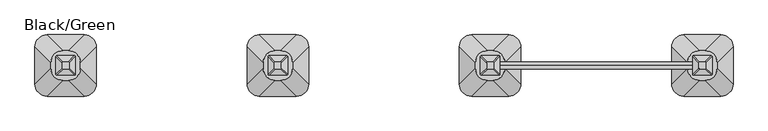
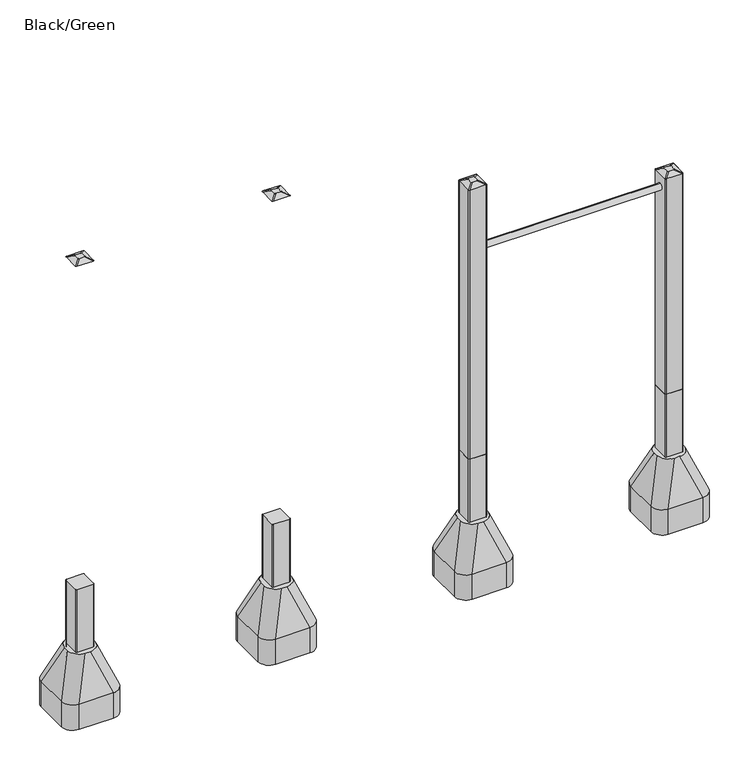
"""IFC4 building model written with IfcOpenShell, lengths in millimetres: furniture geometry, Black/Green."""

from ifc_helpers import new_model, si_unit, point, frame, frame_2d, origin, place, context, project, spatial, polyline, circle_curve, trimmed, segment, composite_curve, outline, extrude, source, transform, mapped, element, save
from ifc_brep_helpers import plane_surface, cylinder_surface, extruded_surface, advanced_brep


def black_green_f1806de6(model_context):
    return source(origin(), model_context, "Body", "SolidModel", [
        advanced_brep(
        [(-529.5, 192.5, 1715.0), (-529.5, 217.5, 1715.0), (-534.5, 222.5, 1715.0), (-559.5, 222.5, 1715.0), (-564.5, 217.5, 1715.0), (-564.5, 192.5, 1715.0), (-559.5, 187.5, 1715.0), (-534.5, 187.5, 1715.0), (-499.5, 162.5, 1700.0), (-504.5, 157.5, 1700.0), (-589.5, 157.5, 1700.0), (-594.5, 162.5, 1700.0), (-594.5, 247.5, 1700.0), (-589.5, 252.5, 1700.0), (-504.5, 252.5, 1700.0), (-499.5, 247.5, 1700.0)],
        [
            (0, 1),
            (1, 2, circle_curve(frame((-534.5, 217.5, 1715.0), z_axis=(0.0, 0.0, 1.0), x_axis=(1.0, 0.0, 0.0)), 5.0)),
            (2, 3),
            (3, 4, circle_curve(frame((-559.5, 217.5, 1715.0), z_axis=(0.0, 0.0, 1.0), x_axis=(1.0, 0.0, 0.0)), 5.0)),
            (4, 5),
            (5, 6, circle_curve(frame((-559.5, 192.5, 1715.0), z_axis=(0.0, 0.0, 1.0), x_axis=(1.0, 0.0, 0.0)), 5.0)),
            (6, 7),
            (7, 0, circle_curve(frame((-534.5, 192.5, 1715.0), z_axis=(0.0, 0.0, 1.0), x_axis=(1.0, 0.0, 0.0)), 5.0)),
            (8, 9, circle_curve(frame((-504.5, 162.5, 1700.0), z_axis=(0.0, 0.0, -1.0), x_axis=(1.0, 0.0, 0.0)), 5.0)),
            (9, 10),
            (10, 11, circle_curve(frame((-589.5, 162.5, 1700.0), z_axis=(0.0, 0.0, -1.0), x_axis=(1.0, 0.0, 0.0)), 5.0)),
            (11, 12),
            (12, 13, circle_curve(frame((-589.5, 247.5, 1700.0), z_axis=(0.0, 0.0, -1.0), x_axis=(1.0, 0.0, 0.0)), 5.0)),
            (13, 14),
            (14, 15, circle_curve(frame((-504.5, 247.5, 1700.0), z_axis=(0.0, 0.0, -1.0), x_axis=(1.0, 0.0, 0.0)), 5.0)),
            (15, 8),
            (15, 1),
            (0, 8),
            (14, 2),
            (13, 3),
            (12, 4),
            (11, 5),
            (10, 6),
            (9, 7),
        ],
        [
            plane_surface(frame((-547.0, 205.0, 1715.0), z_axis=(0.0, 0.0, 1.0), x_axis=(-1.0, 0.0, 0.0))),
            plane_surface(frame((-547.0, 205.0, 1700.0), z_axis=(0.0, 0.0, -1.0), x_axis=(-1.0, 0.0, 0.0))),
            plane_surface(frame((-499.5, 205.0, 1700.0), z_axis=(0.447213595499958, 0.0, 0.894427190999916), x_axis=(0.0, 1.0, 0.0))),
            extruded_surface(trimmed(circle_curve(frame((-504.5, 247.5, 1700.0), z_axis=(0.0, 0.0, 1.0), x_axis=(1.0, 0.0, 0.0)), 5.0), [point((-499.5, 247.5, 1700.0))], [point((-504.5, 252.5, 1700.0))], True, "CARTESIAN"), (-30.0, -30.0, 15.0), 45.0),
            plane_surface(frame((-547.0, 252.5, 1700.0), z_axis=(0.0, 0.447213595499958, 0.894427190999916), x_axis=(-1.0, 0.0, 0.0))),
            extruded_surface(trimmed(circle_curve(frame((-589.5, 247.5, 1700.0), z_axis=(0.0, 0.0, 1.0), x_axis=(1.0, 0.0, 0.0)), 5.0), [point((-589.5, 252.5, 1700.0))], [point((-594.5, 247.5, 1700.0))], True, "CARTESIAN"), (30.0, -30.0, 15.0), 45.0),
            plane_surface(frame((-594.5, 205.0, 1700.0), z_axis=(-0.447213595499958, 0.0, 0.894427190999916), x_axis=(0.0, -1.0, 0.0))),
            extruded_surface(trimmed(circle_curve(frame((-589.5, 162.5, 1700.0), z_axis=(0.0, 0.0, 1.0), x_axis=(1.0, 0.0, 0.0)), 5.0), [point((-594.5, 162.5, 1700.0))], [point((-589.5, 157.5, 1700.0))], True, "CARTESIAN"), (30.0, 30.0, 15.0), 45.0),
            plane_surface(frame((-547.0, 157.5, 1700.0), z_axis=(0.0, -0.447213595499958, 0.894427190999916), x_axis=(1.0, 0.0, 0.0))),
            extruded_surface(trimmed(circle_curve(frame((-504.5, 162.5, 1700.0), z_axis=(0.0, 0.0, 1.0), x_axis=(1.0, 0.0, 0.0)), 5.0), [point((-504.5, 157.5, 1700.0))], [point((-499.5, 162.5, 1700.0))], True, "CARTESIAN"), (-30.0, 30.0, 15.0), 45.0),
        ],
        [
            (0, [[1, 2, 3, 4, 5, 6, 7, 8]]),
            (1, [[9, 10, 11, 12, 13, 14, 15, 16]]),
            (2, [[-16, 17, -1, 18]]),
            (3, [[-15, 19, -2, -17]]),
            (4, [[-14, 20, -3, -19]]),
            (5, [[-13, 21, -4, -20]]),
            (6, [[-12, 22, -5, -21]]),
            (7, [[-11, 23, -6, -22]]),
            (8, [[-10, 24, -7, -23]]),
            (9, [[-9, -18, -8, -24]]),
        ],
    ),
        advanced_brep(
        [(505.5, 192.5, 1715.0), (505.5, 217.5, 1715.0), (500.5, 222.5, 1715.0), (475.5, 222.5, 1715.0), (470.5, 217.5, 1715.0), (470.5, 192.5, 1715.0), (475.5, 187.5, 1715.0), (500.5, 187.5, 1715.0), (535.5, 162.5, 1700.0), (530.5, 157.5, 1700.0), (445.5, 157.5, 1700.0), (440.5, 162.5, 1700.0), (440.5, 247.5, 1700.0), (445.5, 252.5, 1700.0), (530.5, 252.5, 1700.0), (535.5, 247.5, 1700.0)],
        [
            (0, 1),
            (1, 2, circle_curve(frame((500.5, 217.5, 1715.0), z_axis=(0.0, 0.0, 1.0), x_axis=(1.0, 0.0, 0.0)), 5.0)),
            (2, 3),
            (3, 4, circle_curve(frame((475.5, 217.5, 1715.0), z_axis=(0.0, 0.0, 1.0), x_axis=(1.0, 0.0, 0.0)), 5.0)),
            (4, 5),
            (5, 6, circle_curve(frame((475.5, 192.5, 1715.0), z_axis=(0.0, 0.0, 1.0), x_axis=(1.0, 0.0, 0.0)), 5.0)),
            (6, 7),
            (7, 0, circle_curve(frame((500.5, 192.5, 1715.0), z_axis=(0.0, 0.0, 1.0), x_axis=(1.0, 0.0, 0.0)), 5.0)),
            (8, 9, circle_curve(frame((530.5, 162.5, 1700.0), z_axis=(0.0, 0.0, -1.0), x_axis=(1.0, 0.0, 0.0)), 5.0)),
            (9, 10),
            (10, 11, circle_curve(frame((445.5, 162.5, 1700.0), z_axis=(0.0, 0.0, -1.0), x_axis=(1.0, 0.0, 0.0)), 5.0)),
            (11, 12),
            (12, 13, circle_curve(frame((445.5, 247.5, 1700.0), z_axis=(0.0, 0.0, -1.0), x_axis=(1.0, 0.0, 0.0)), 5.0)),
            (13, 14),
            (14, 15, circle_curve(frame((530.5, 247.5, 1700.0), z_axis=(0.0, 0.0, -1.0), x_axis=(1.0, 0.0, 0.0)), 5.0)),
            (15, 8),
            (15, 1),
            (0, 8),
            (14, 2),
            (13, 3),
            (12, 4),
            (11, 5),
            (10, 6),
            (9, 7),
        ],
        [
            plane_surface(frame((488.0, 205.0, 1715.0), z_axis=(0.0, 0.0, 1.0), x_axis=(-1.0, 0.0, 0.0))),
            plane_surface(frame((488.0, 205.0, 1700.0), z_axis=(0.0, 0.0, -1.0), x_axis=(-1.0, 0.0, 0.0))),
            plane_surface(frame((535.5, 205.0, 1700.0), z_axis=(0.447213595499958, 0.0, 0.894427190999916), x_axis=(0.0, 1.0, 0.0))),
            extruded_surface(trimmed(circle_curve(frame((530.5, 247.5, 1700.0), z_axis=(0.0, 0.0, 1.0), x_axis=(1.0, 0.0, 0.0)), 5.0), [point((535.5, 247.5, 1700.0))], [point((530.5, 252.5, 1700.0))], True, "CARTESIAN"), (-30.0, -30.0, 15.0), 45.0),
            plane_surface(frame((488.0, 252.5, 1700.0), z_axis=(0.0, 0.447213595499958, 0.894427190999916), x_axis=(-1.0, 0.0, 0.0))),
            extruded_surface(trimmed(circle_curve(frame((445.5, 247.5, 1700.0), z_axis=(0.0, 0.0, 1.0), x_axis=(1.0, 0.0, 0.0)), 5.0), [point((445.5, 252.5, 1700.0))], [point((440.5, 247.5, 1700.0))], True, "CARTESIAN"), (30.0, -30.0, 15.0), 45.0),
            plane_surface(frame((440.5, 205.0, 1700.0), z_axis=(-0.447213595499958, 0.0, 0.894427190999916), x_axis=(0.0, -1.0, 0.0))),
            extruded_surface(trimmed(circle_curve(frame((445.5, 162.5, 1700.0), z_axis=(0.0, 0.0, 1.0), x_axis=(1.0, 0.0, 0.0)), 5.0), [point((440.5, 162.5, 1700.0))], [point((445.5, 157.5, 1700.0))], True, "CARTESIAN"), (30.0, 30.0, 15.0), 45.0),
            plane_surface(frame((488.0, 157.5, 1700.0), z_axis=(0.0, -0.447213595499958, 0.894427190999916), x_axis=(1.0, 0.0, 0.0))),
            extruded_surface(trimmed(circle_curve(frame((530.5, 162.5, 1700.0), z_axis=(0.0, 0.0, 1.0), x_axis=(1.0, 0.0, 0.0)), 5.0), [point((530.5, 157.5, 1700.0))], [point((535.5, 162.5, 1700.0))], True, "CARTESIAN"), (-30.0, 30.0, 15.0), 45.0),
        ],
        [
            (0, [[1, 2, 3, 4, 5, 6, 7, 8]]),
            (1, [[9, 10, 11, 12, 13, 14, 15, 16]]),
            (2, [[-16, 17, -1, 18]]),
            (3, [[-15, 19, -2, -17]]),
            (4, [[-14, 20, -3, -19]]),
            (5, [[-13, 21, -4, -20]]),
            (6, [[-12, 22, -5, -21]]),
            (7, [[-11, 23, -6, -22]]),
            (8, [[-10, 24, -7, -23]]),
            (9, [[-9, -18, -8, -24]]),
        ],
    ),
        advanced_brep(
        [(1540.5, 192.5, 1415.0), (1540.5, 217.5, 1415.0), (1535.5, 222.5, 1415.0), (1510.5, 222.5, 1415.0), (1505.5, 217.5, 1415.0), (1505.5, 192.5, 1415.0), (1510.5, 187.5, 1415.0), (1535.5, 187.5, 1415.0), (1570.5, 162.5, 1400.0), (1565.5, 157.5, 1400.0), (1480.5, 157.5, 1400.0), (1475.5, 162.5, 1400.0), (1475.5, 247.5, 1400.0), (1480.5, 252.5, 1400.0), (1565.5, 252.5, 1400.0), (1570.5, 247.5, 1400.0)],
        [
            (0, 1),
            (1, 2, circle_curve(frame((1535.5, 217.5, 1415.0), z_axis=(0.0, 0.0, 1.0), x_axis=(1.0, 0.0, 0.0)), 5.0)),
            (2, 3),
            (3, 4, circle_curve(frame((1510.5, 217.5, 1415.0), z_axis=(0.0, 0.0, 1.0), x_axis=(1.0, 0.0, 0.0)), 5.0)),
            (4, 5),
            (5, 6, circle_curve(frame((1510.5, 192.5, 1415.0), z_axis=(0.0, 0.0, 1.0), x_axis=(1.0, 0.0, 0.0)), 5.0)),
            (6, 7),
            (7, 0, circle_curve(frame((1535.5, 192.5, 1415.0), z_axis=(0.0, 0.0, 1.0), x_axis=(1.0, 0.0, 0.0)), 5.0)),
            (8, 9, circle_curve(frame((1565.5, 162.5, 1400.0), z_axis=(0.0, 0.0, -1.0), x_axis=(1.0, 0.0, 0.0)), 5.0)),
            (9, 10),
            (10, 11, circle_curve(frame((1480.5, 162.5, 1400.0), z_axis=(0.0, 0.0, -1.0), x_axis=(1.0, 0.0, 0.0)), 5.0)),
            (11, 12),
            (12, 13, circle_curve(frame((1480.5, 247.5, 1400.0), z_axis=(0.0, 0.0, -1.0), x_axis=(1.0, 0.0, 0.0)), 5.0)),
            (13, 14),
            (14, 15, circle_curve(frame((1565.5, 247.5, 1400.0), z_axis=(0.0, 0.0, -1.0), x_axis=(1.0, 0.0, 0.0)), 5.0)),
            (15, 8),
            (15, 1),
            (0, 8),
            (14, 2),
            (13, 3),
            (12, 4),
            (11, 5),
            (10, 6),
            (9, 7),
        ],
        [
            plane_surface(frame((1523.0, 205.0, 1415.0), z_axis=(0.0, 0.0, 1.0), x_axis=(-1.0, 0.0, 0.0))),
            plane_surface(frame((1523.0, 205.0, 1400.0), z_axis=(0.0, 0.0, -1.0), x_axis=(-1.0, 0.0, 0.0))),
            plane_surface(frame((1570.5, 205.0, 1400.0), z_axis=(0.447213595499958, 0.0, 0.894427190999916), x_axis=(0.0, 1.0, 0.0))),
            extruded_surface(trimmed(circle_curve(frame((1565.5, 247.5, 1400.0), z_axis=(0.0, 0.0, 1.0), x_axis=(1.0, 0.0, 0.0)), 5.0), [point((1570.5, 247.5, 1400.0))], [point((1565.5, 252.5, 1400.0))], True, "CARTESIAN"), (-30.0, -30.0, 15.0), 45.0),
            plane_surface(frame((1523.0, 252.5, 1400.0), z_axis=(0.0, 0.447213595499958, 0.894427190999916), x_axis=(-1.0, 0.0, 0.0))),
            extruded_surface(trimmed(circle_curve(frame((1480.5, 247.5, 1400.0), z_axis=(0.0, 0.0, 1.0), x_axis=(1.0, 0.0, 0.0)), 5.0), [point((1480.5, 252.5, 1400.0))], [point((1475.5, 247.5, 1400.0))], True, "CARTESIAN"), (30.0, -30.0, 15.0), 45.0),
            plane_surface(frame((1475.5, 205.0, 1400.0), z_axis=(-0.447213595499958, 0.0, 0.894427190999916), x_axis=(0.0, -1.0, 0.0))),
            extruded_surface(trimmed(circle_curve(frame((1480.5, 162.5, 1400.0), z_axis=(0.0, 0.0, 1.0), x_axis=(1.0, 0.0, 0.0)), 5.0), [point((1475.5, 162.5, 1400.0))], [point((1480.5, 157.5, 1400.0))], True, "CARTESIAN"), (30.0, 30.0, 15.0), 45.0),
            plane_surface(frame((1523.0, 157.5, 1400.0), z_axis=(0.0, -0.447213595499958, 0.894427190999916), x_axis=(1.0, 0.0, 0.0))),
            extruded_surface(trimmed(circle_curve(frame((1565.5, 162.5, 1400.0), z_axis=(0.0, 0.0, 1.0), x_axis=(1.0, 0.0, 0.0)), 5.0), [point((1565.5, 157.5, 1400.0))], [point((1570.5, 162.5, 1400.0))], True, "CARTESIAN"), (-30.0, 30.0, 15.0), 45.0),
        ],
        [
            (0, [[1, 2, 3, 4, 5, 6, 7, 8]]),
            (1, [[9, 10, 11, 12, 13, 14, 15, 16]]),
            (2, [[-16, 17, -1, 18]]),
            (3, [[-15, 19, -2, -17]]),
            (4, [[-14, 20, -3, -19]]),
            (5, [[-13, 21, -4, -20]]),
            (6, [[-12, 22, -5, -21]]),
            (7, [[-11, 23, -6, -22]]),
            (8, [[-10, 24, -7, -23]]),
            (9, [[-9, -18, -8, -24]]),
        ],
    ),
        advanced_brep(
        [(2575.5, 192.5, 1115.0), (2575.5, 217.5, 1115.0), (2570.5, 222.5, 1115.0), (2545.5, 222.5, 1115.0), (2540.5, 217.5, 1115.0), (2540.5, 192.5, 1115.0), (2545.5, 187.5, 1115.0), (2570.5, 187.5, 1115.0), (2605.5, 162.5, 1100.0), (2600.5, 157.5, 1100.0), (2515.5, 157.5, 1100.0), (2510.5, 162.5, 1100.0), (2510.5, 247.5, 1100.0), (2515.5, 252.5, 1100.0), (2600.5, 252.5, 1100.0), (2605.5, 247.5, 1100.0)],
        [
            (0, 1),
            (1, 2, circle_curve(frame((2570.5, 217.5, 1115.0), z_axis=(0.0, 0.0, 1.0), x_axis=(1.0, 0.0, 0.0)), 5.0)),
            (2, 3),
            (3, 4, circle_curve(frame((2545.5, 217.5, 1115.0), z_axis=(0.0, 0.0, 1.0), x_axis=(1.0, 0.0, 0.0)), 5.0)),
            (4, 5),
            (5, 6, circle_curve(frame((2545.5, 192.5, 1115.0), z_axis=(0.0, 0.0, 1.0), x_axis=(1.0, 0.0, 0.0)), 5.0)),
            (6, 7),
            (7, 0, circle_curve(frame((2570.5, 192.5, 1115.0), z_axis=(0.0, 0.0, 1.0), x_axis=(1.0, 0.0, 0.0)), 5.0)),
            (8, 9, circle_curve(frame((2600.5, 162.5, 1100.0), z_axis=(0.0, 0.0, -1.0), x_axis=(1.0, 0.0, 0.0)), 5.0)),
            (9, 10),
            (10, 11, circle_curve(frame((2515.5, 162.5, 1100.0), z_axis=(0.0, 0.0, -1.0), x_axis=(1.0, 0.0, 0.0)), 5.0)),
            (11, 12),
            (12, 13, circle_curve(frame((2515.5, 247.5, 1100.0), z_axis=(0.0, 0.0, -1.0), x_axis=(1.0, 0.0, 0.0)), 5.0)),
            (13, 14),
            (14, 15, circle_curve(frame((2600.5, 247.5, 1100.0), z_axis=(0.0, 0.0, -1.0), x_axis=(1.0, 0.0, 0.0)), 5.0)),
            (15, 8),
            (15, 1),
            (0, 8),
            (14, 2),
            (13, 3),
            (12, 4),
            (11, 5),
            (10, 6),
            (9, 7),
        ],
        [
            plane_surface(frame((2558.0, 205.0, 1115.0), z_axis=(0.0, 0.0, 1.0), x_axis=(-1.0, 0.0, 0.0))),
            plane_surface(frame((2558.0, 205.0, 1100.0), z_axis=(0.0, 0.0, -1.0), x_axis=(-1.0, 0.0, 0.0))),
            plane_surface(frame((2605.5, 205.0, 1100.0), z_axis=(0.447213595499958, 0.0, 0.894427190999916), x_axis=(0.0, 1.0, 0.0))),
            extruded_surface(trimmed(circle_curve(frame((2600.5, 247.5, 1100.0), z_axis=(0.0, 0.0, 1.0), x_axis=(1.0, 0.0, 0.0)), 5.0), [point((2605.5, 247.5, 1100.0))], [point((2600.5, 252.5, 1100.0))], True, "CARTESIAN"), (-30.0, -30.0, 15.0), 45.0),
            plane_surface(frame((2558.0, 252.5, 1100.0), z_axis=(0.0, 0.447213595499958, 0.894427190999916), x_axis=(-1.0, 0.0, 0.0))),
            extruded_surface(trimmed(circle_curve(frame((2515.5, 247.5, 1100.0), z_axis=(0.0, 0.0, 1.0), x_axis=(1.0, 0.0, 0.0)), 5.0), [point((2515.5, 252.5, 1100.0))], [point((2510.5, 247.5, 1100.0))], True, "CARTESIAN"), (30.0, -30.0, 15.0), 45.0),
            plane_surface(frame((2510.5, 205.0, 1100.0), z_axis=(-0.447213595499958, 0.0, 0.894427190999916), x_axis=(0.0, -1.0, 0.0))),
            extruded_surface(trimmed(circle_curve(frame((2515.5, 162.5, 1100.0), z_axis=(0.0, 0.0, 1.0), x_axis=(1.0, 0.0, 0.0)), 5.0), [point((2510.5, 162.5, 1100.0))], [point((2515.5, 157.5, 1100.0))], True, "CARTESIAN"), (30.0, 30.0, 15.0), 45.0),
            plane_surface(frame((2558.0, 157.5, 1100.0), z_axis=(0.0, -0.447213595499958, 0.894427190999916), x_axis=(1.0, 0.0, 0.0))),
            extruded_surface(trimmed(circle_curve(frame((2600.5, 162.5, 1100.0), z_axis=(0.0, 0.0, 1.0), x_axis=(1.0, 0.0, 0.0)), 5.0), [point((2600.5, 157.5, 1100.0))], [point((2605.5, 162.5, 1100.0))], True, "CARTESIAN"), (-30.0, 30.0, 15.0), 45.0),
        ],
        [
            (0, [[1, 2, 3, 4, 5, 6, 7, 8]]),
            (1, [[9, 10, 11, 12, 13, 14, 15, 16]]),
            (2, [[-16, 17, -1, 18]]),
            (3, [[-15, 19, -2, -17]]),
            (4, [[-14, 20, -3, -19]]),
            (5, [[-13, 21, -4, -20]]),
            (6, [[-12, 22, -5, -21]]),
            (7, [[-11, 23, -6, -22]]),
            (8, [[-10, 24, -7, -23]]),
            (9, [[-9, -18, -8, -24]]),
        ],
    ),
        extrude(outline(composite_curve([segment(trimmed(circle_curve(frame_2d((2600.5, 162.5)), 5.0), [point((2605.5, 162.5))], [point((2600.5, 157.5))], False, "CARTESIAN"), True, "CONTINUOUS"), segment(polyline([(2600.5, 157.5), (2515.5, 157.5)]), True, "CONTINUOUS"), segment(trimmed(circle_curve(frame_2d((2515.5, 162.5)), 5.0), [point((2515.5, 157.5))], [point((2510.5, 162.5))], False, "CARTESIAN"), True, "CONTINUOUS"), segment(polyline([(2510.5, 162.5), (2510.5, 247.5)]), True, "CONTINUOUS"), segment(trimmed(circle_curve(frame_2d((2515.5, 247.5)), 5.0), [point((2510.5, 247.5))], [point((2515.5, 252.5))], False, "CARTESIAN"), True, "CONTINUOUS"), segment(polyline([(2515.5, 252.5), (2600.5, 252.5)]), True, "CONTINUOUS"), segment(trimmed(circle_curve(frame_2d((2600.5, 247.5)), 5.0), [point((2600.5, 252.5))], [point((2605.5, 247.5))], False, "CARTESIAN"), True, "CONTINUOUS"), segment(polyline([(2605.5, 247.5), (2605.5, 162.5)]), True, "CONTINUOUS")], self_intersect=False)), frame((0.0, 0.0, -800.0), z_axis=(0.0, 0.0, 1.0), x_axis=(1.0, 0.0, 0.0)), (0.0, 0.0, 1.0), 700.0),
        advanced_brep(
        [(2648.0, 355.0, -800.0), (2708.0, 295.0, -800.0), (2708.0, 115.0, -800.0), (2648.0, 55.0, -800.0), (2468.0, 55.0, -800.0), (2408.0, 115.0, -800.0), (2408.0, 295.0, -800.0), (2468.0, 355.0, -800.0), (2468.0, 355.0, -660.0), (2648.0, 355.0, -660.0), (2408.0, 115.0, -660.0), (2408.0, 295.0, -660.0), (2648.0, 55.0, -660.0), (2468.0, 55.0, -660.0), (2708.0, 295.0, -660.0), (2708.0, 115.0, -660.0), (2545.7040451, 277.6989403, -450.0), (2485.7040451, 217.6989403, -450.0), (2485.7040451, 192.3010597, -450.0), (2545.7040451, 132.3010597, -450.0), (2570.2959549, 132.3010597, -450.0), (2630.2959549, 192.3010597, -450.0), (2630.2959549, 217.6989403, -450.0), (2570.2959549, 277.6989403, -450.0)],
        [
            (0, 1, circle_curve(frame((2648.0, 295.0, -800.0), z_axis=(0.0, 0.0, -1.0), x_axis=(1.0, 0.0, 0.0)), 60.0)),
            (1, 2),
            (2, 3, circle_curve(frame((2648.0, 115.0, -800.0), z_axis=(0.0, 0.0, -1.0), x_axis=(1.0, 0.0, 0.0)), 60.0)),
            (3, 4),
            (4, 5, circle_curve(frame((2468.0, 115.0, -800.0), z_axis=(0.0, 0.0, -1.0), x_axis=(1.0, 0.0, 0.0)), 60.0)),
            (5, 6),
            (6, 7, circle_curve(frame((2468.0, 295.0, -800.0), z_axis=(0.0, 0.0, -1.0), x_axis=(1.0, 0.0, 0.0)), 60.0)),
            (7, 0),
            (7, 8),
            (8, 9),
            (9, 0),
            (5, 10),
            (10, 11),
            (11, 6),
            (3, 12),
            (12, 13),
            (13, 4),
            (1, 14),
            (14, 15),
            (15, 2),
            (16, 17, circle_curve(frame((2545.7040451, 217.6989403, -450.0), z_axis=(0.0, 0.0, 1.0), x_axis=(1.0, 0.0, 0.0)), 60.0)),
            (17, 18),
            (18, 19, circle_curve(frame((2545.7040451, 192.3010597, -450.0), z_axis=(0.0, 0.0, 1.0), x_axis=(1.0, 0.0, 0.0)), 60.0)),
            (19, 20),
            (20, 21, circle_curve(frame((2570.2959549, 192.3010597, -450.0), z_axis=(0.0, 0.0, 1.0), x_axis=(1.0, 0.0, 0.0)), 60.0)),
            (21, 22),
            (22, 23, circle_curve(frame((2570.2959549, 217.6989403, -450.0), z_axis=(0.0, 0.0, 1.0), x_axis=(1.0, 0.0, 0.0)), 60.0)),
            (23, 16),
            (17, 11),
            (10, 18),
            (19, 13),
            (12, 20),
            (21, 15),
            (14, 22),
            (23, 9),
            (8, 16),
            (11, 8, circle_curve(frame((2468.0, 295.0, -660.0), z_axis=(0.0, 0.0, -1.0), x_axis=(1.0, 0.0, 0.0)), 60.0)),
            (13, 10, circle_curve(frame((2468.0, 115.0, -660.0), z_axis=(0.0, 0.0, -1.0), x_axis=(1.0, 0.0, 0.0)), 60.0)),
            (15, 12, circle_curve(frame((2648.0, 115.0, -660.0), z_axis=(0.0, 0.0, -1.0), x_axis=(1.0, 0.0, 0.0)), 60.0)),
            (9, 14, circle_curve(frame((2648.0, 295.0, -660.0), z_axis=(0.0, 0.0, -1.0), x_axis=(1.0, 0.0, 0.0)), 60.0)),
        ],
        [
            plane_surface(frame((2381.3670318, 355.0, -800.0), z_axis=(0.0, 0.0, -1.0), x_axis=(1.0, 0.0, 0.0))),
            plane_surface(frame((2648.0, 355.0, -660.0), z_axis=(0.0, 1.0, 0.0), x_axis=(0.0, 0.0, -1.0))),
            plane_surface(frame((2408.0, 295.0, -660.0), z_axis=(-1.0, 0.0, 0.0), x_axis=(0.0, 0.0, -1.0))),
            plane_surface(frame((2468.0, 55.0, -660.0), z_axis=(0.0, -1.0, 0.0), x_axis=(0.0, 0.0, -1.0))),
            plane_surface(frame((2708.0, 115.0, -660.0), z_axis=(1.0, 0.0, 0.0), x_axis=(0.0, 0.0, -1.0))),
            plane_surface(frame((2558.0, 205.0, -450.0), z_axis=(0.0, 0.0, 1.0), x_axis=(-1.0, 0.0, 0.0))),
            plane_surface(frame((2408.0, 205.0, -660.0), z_axis=(-0.9378559633153533, 0.0, 0.34702477155648537), x_axis=(0.0, -1.0, 0.0))),
            plane_surface(frame((2558.0, 55.0, -660.0), z_axis=(0.0, -0.9384407279810894, 0.34544029884528976), x_axis=(1.0, 0.0, 0.0))),
            plane_surface(frame((2708.0, 205.0, -660.0), z_axis=(0.9378559633153535, 0.0, 0.3470247715564847), x_axis=(0.0, 1.0, 0.0))),
            plane_surface(frame((2558.0, 355.0, -660.0), z_axis=(0.0, 0.9384407279810895, 0.34544029884528954), x_axis=(-1.0, 0.0, 0.0))),
            cylinder_surface(frame((2468.0, 295.0, -800.0), z_axis=(0.0, 0.0, 1.0), x_axis=(1.0, 0.0, 0.0)), 60.0),
            cylinder_surface(frame((2468.0, 115.0, -800.0), z_axis=(0.0, 0.0, 1.0), x_axis=(1.0, 0.0, 0.0)), 60.0),
            cylinder_surface(frame((2648.0, 115.0, -800.0), z_axis=(0.0, 0.0, 1.0), x_axis=(1.0, 0.0, 0.0)), 60.0),
            cylinder_surface(frame((2648.0, 295.0, -800.0), z_axis=(0.0, 0.0, 1.0), x_axis=(1.0, 0.0, 0.0)), 60.0),
            extruded_surface(trimmed(circle_curve(frame((2468.0, 295.0, -660.0), z_axis=(0.0, 0.0, 1.0), x_axis=(1.0, 0.0, 0.0)), 60.0), [point((2468.0, 355.0, -660.0))], [point((2408.0, 295.0, -660.0))], True, "CARTESIAN"), (77.7040450999998, -77.3010597, 210.0), 236.88261324049463),
            extruded_surface(trimmed(circle_curve(frame((2648.0, 295.0, -660.0), z_axis=(0.0, 0.0, 1.0), x_axis=(1.0, 0.0, 0.0)), 60.0), [point((2708.0, 295.0, -660.0))], [point((2648.0, 355.0, -660.0))], True, "CARTESIAN"), (-77.7040450999998, -77.3010597, 210.0), 236.88261324049463),
            extruded_surface(trimmed(circle_curve(frame((2468.0, 115.0, -660.0), z_axis=(0.0, 0.0, 1.0), x_axis=(1.0, 0.0, 0.0)), 60.0), [point((2408.0, 115.0, -660.0))], [point((2468.0, 55.0, -660.0))], True, "CARTESIAN"), (77.7040450999998, 77.3010597, 210.0), 236.88261324049463),
            extruded_surface(trimmed(circle_curve(frame((2648.0, 115.0, -660.0), z_axis=(0.0, 0.0, 1.0), x_axis=(1.0, 0.0, 0.0)), 60.0), [point((2648.0, 55.0, -660.0))], [point((2708.0, 115.0, -660.0))], True, "CARTESIAN"), (-77.7040450999998, 77.3010597, 210.0), 236.88261324049463),
        ],
        [
            (0, [[1, 2, 3, 4, 5, 6, 7, 8]]),
            (1, [[-8, 9, 10, 11]]),
            (2, [[-6, 12, 13, 14]]),
            (3, [[-4, 15, 16, 17]]),
            (4, [[-2, 18, 19, 20]]),
            (5, [[21, 22, 23, 24, 25, 26, 27, 28]]),
            (6, [[-22, 29, -13, 30]]),
            (7, [[-24, 31, -16, 32]]),
            (8, [[-26, 33, -19, 34]]),
            (9, [[-28, 35, -10, 36]]),
            (10, [[-7, -14, 37, -9]]),
            (11, [[-5, -17, 38, -12]]),
            (12, [[-3, -20, 39, -15]]),
            (13, [[-1, -11, 40, -18]]),
            (14, [[-21, -36, -37, -29]]),
            (15, [[-27, -34, -40, -35]]),
            (16, [[-23, -30, -38, -31]]),
            (17, [[-25, -32, -39, -33]]),
        ],
    ),
        extrude(outline(composite_curve([segment(trimmed(circle_curve(frame_2d((1565.5, 162.5)), 5.0), [point((1570.5, 162.5))], [point((1565.5, 157.5))], False, "CARTESIAN"), True, "CONTINUOUS"), segment(polyline([(1565.5, 157.5), (1480.5, 157.5)]), True, "CONTINUOUS"), segment(trimmed(circle_curve(frame_2d((1480.5, 162.5)), 5.0), [point((1480.5, 157.5))], [point((1475.5, 162.5))], False, "CARTESIAN"), True, "CONTINUOUS"), segment(polyline([(1475.5, 162.5), (1475.5, 247.5)]), True, "CONTINUOUS"), segment(trimmed(circle_curve(frame_2d((1480.5, 247.5)), 5.0), [point((1475.5, 247.5))], [point((1480.5, 252.5))], False, "CARTESIAN"), True, "CONTINUOUS"), segment(polyline([(1480.5, 252.5), (1565.5, 252.5)]), True, "CONTINUOUS"), segment(trimmed(circle_curve(frame_2d((1565.5, 247.5)), 5.0), [point((1565.5, 252.5))], [point((1570.5, 247.5))], False, "CARTESIAN"), True, "CONTINUOUS"), segment(polyline([(1570.5, 247.5), (1570.5, 162.5)]), True, "CONTINUOUS")], self_intersect=False)), frame((0.0, 0.0, -800.0), z_axis=(0.0, 0.0, 1.0), x_axis=(1.0, 0.0, 0.0)), (0.0, 0.0, 1.0), 700.0),
        advanced_brep(
        [(1613.0, 355.0, -800.0), (1673.0, 295.0, -800.0), (1673.0, 115.0, -800.0), (1613.0, 55.0, -800.0), (1433.0, 55.0, -800.0), (1373.0, 115.0, -800.0), (1373.0, 295.0, -800.0), (1433.0, 355.0, -800.0), (1433.0, 355.0, -660.0), (1613.0, 355.0, -660.0), (1373.0, 115.0, -660.0), (1373.0, 295.0, -660.0), (1613.0, 55.0, -660.0), (1433.0, 55.0, -660.0), (1673.0, 295.0, -660.0), (1673.0, 115.0, -660.0), (1510.7040451, 277.6989403, -450.0), (1450.7040451, 217.6989403, -450.0), (1450.7040451, 192.3010597, -450.0), (1510.7040451, 132.3010597, -450.0), (1535.2959549, 132.3010597, -450.0), (1595.2959549, 192.3010597, -450.0), (1595.2959549, 217.6989403, -450.0), (1535.2959549, 277.6989403, -450.0)],
        [
            (0, 1, circle_curve(frame((1613.0, 295.0, -800.0), z_axis=(0.0, 0.0, -1.0), x_axis=(1.0, 0.0, 0.0)), 60.0)),
            (1, 2),
            (2, 3, circle_curve(frame((1613.0, 115.0, -800.0), z_axis=(0.0, 0.0, -1.0), x_axis=(1.0, 0.0, 0.0)), 60.0)),
            (3, 4),
            (4, 5, circle_curve(frame((1433.0, 115.0, -800.0), z_axis=(0.0, 0.0, -1.0), x_axis=(1.0, 0.0, 0.0)), 60.0)),
            (5, 6),
            (6, 7, circle_curve(frame((1433.0, 295.0, -800.0), z_axis=(0.0, 0.0, -1.0), x_axis=(1.0, 0.0, 0.0)), 60.0)),
            (7, 0),
            (7, 8),
            (8, 9),
            (9, 0),
            (5, 10),
            (10, 11),
            (11, 6),
            (3, 12),
            (12, 13),
            (13, 4),
            (1, 14),
            (14, 15),
            (15, 2),
            (16, 17, circle_curve(frame((1510.7040451, 217.6989403, -450.0), z_axis=(0.0, 0.0, 1.0), x_axis=(1.0, 0.0, 0.0)), 60.0)),
            (17, 18),
            (18, 19, circle_curve(frame((1510.7040451, 192.3010597, -450.0), z_axis=(0.0, 0.0, 1.0), x_axis=(1.0, 0.0, 0.0)), 60.0)),
            (19, 20),
            (20, 21, circle_curve(frame((1535.2959549, 192.3010597, -450.0), z_axis=(0.0, 0.0, 1.0), x_axis=(1.0, 0.0, 0.0)), 60.0)),
            (21, 22),
            (22, 23, circle_curve(frame((1535.2959549, 217.6989403, -450.0), z_axis=(0.0, 0.0, 1.0), x_axis=(1.0, 0.0, 0.0)), 60.0)),
            (23, 16),
            (17, 11),
            (10, 18),
            (19, 13),
            (12, 20),
            (21, 15),
            (14, 22),
            (23, 9),
            (8, 16),
            (11, 8, circle_curve(frame((1433.0, 295.0, -660.0), z_axis=(0.0, 0.0, -1.0), x_axis=(1.0, 0.0, 0.0)), 60.0)),
            (13, 10, circle_curve(frame((1433.0, 115.0, -660.0), z_axis=(0.0, 0.0, -1.0), x_axis=(1.0, 0.0, 0.0)), 60.0)),
            (15, 12, circle_curve(frame((1613.0, 115.0, -660.0), z_axis=(0.0, 0.0, -1.0), x_axis=(1.0, 0.0, 0.0)), 60.0)),
            (9, 14, circle_curve(frame((1613.0, 295.0, -660.0), z_axis=(0.0, 0.0, -1.0), x_axis=(1.0, 0.0, 0.0)), 60.0)),
        ],
        [
            plane_surface(frame((1346.3670318, 355.0, -800.0), z_axis=(0.0, 0.0, -1.0), x_axis=(1.0, 0.0, 0.0))),
            plane_surface(frame((1613.0, 355.0, -660.0), z_axis=(0.0, 1.0, 0.0), x_axis=(0.0, 0.0, -1.0))),
            plane_surface(frame((1373.0, 295.0, -660.0), z_axis=(-1.0, 0.0, 0.0), x_axis=(0.0, 0.0, -1.0))),
            plane_surface(frame((1433.0, 55.0, -660.0), z_axis=(0.0, -1.0, 0.0), x_axis=(0.0, 0.0, -1.0))),
            plane_surface(frame((1673.0, 115.0, -660.0), z_axis=(1.0, 0.0, 0.0), x_axis=(0.0, 0.0, -1.0))),
            plane_surface(frame((1523.0, 205.0, -450.0), z_axis=(0.0, 0.0, 1.0), x_axis=(-1.0, 0.0, 0.0))),
            plane_surface(frame((1373.0, 205.0, -660.0), z_axis=(-0.9378559633153533, 0.0, 0.34702477155648537), x_axis=(0.0, -1.0, 0.0))),
            plane_surface(frame((1523.0, 55.0, -660.0), z_axis=(0.0, -0.9384407279810894, 0.34544029884528976), x_axis=(1.0, 0.0, 0.0))),
            plane_surface(frame((1673.0, 205.0, -660.0), z_axis=(0.9378559633153535, 0.0, 0.3470247715564847), x_axis=(0.0, 1.0, 0.0))),
            plane_surface(frame((1523.0, 355.0, -660.0), z_axis=(0.0, 0.9384407279810895, 0.34544029884528954), x_axis=(-1.0, 0.0, 0.0))),
            cylinder_surface(frame((1433.0, 295.0, -800.0), z_axis=(0.0, 0.0, 1.0), x_axis=(1.0, 0.0, 0.0)), 60.0),
            cylinder_surface(frame((1433.0, 115.0, -800.0), z_axis=(0.0, 0.0, 1.0), x_axis=(1.0, 0.0, 0.0)), 60.0),
            cylinder_surface(frame((1613.0, 115.0, -800.0), z_axis=(0.0, 0.0, 1.0), x_axis=(1.0, 0.0, 0.0)), 60.0),
            cylinder_surface(frame((1613.0, 295.0, -800.0), z_axis=(0.0, 0.0, 1.0), x_axis=(1.0, 0.0, 0.0)), 60.0),
            extruded_surface(trimmed(circle_curve(frame((1433.0, 295.0, -660.0), z_axis=(0.0, 0.0, 1.0), x_axis=(1.0, 0.0, 0.0)), 60.0), [point((1433.0, 355.0, -660.0))], [point((1373.0, 295.0, -660.0))], True, "CARTESIAN"), (77.70404510000003, -77.3010597, 210.0), 236.88261324049472),
            extruded_surface(trimmed(circle_curve(frame((1613.0, 295.0, -660.0), z_axis=(0.0, 0.0, 1.0), x_axis=(1.0, 0.0, 0.0)), 60.0), [point((1673.0, 295.0, -660.0))], [point((1613.0, 355.0, -660.0))], True, "CARTESIAN"), (-77.70404510000003, -77.3010597, 210.0), 236.88261324049472),
            extruded_surface(trimmed(circle_curve(frame((1433.0, 115.0, -660.0), z_axis=(0.0, 0.0, 1.0), x_axis=(1.0, 0.0, 0.0)), 60.0), [point((1373.0, 115.0, -660.0))], [point((1433.0, 55.0, -660.0))], True, "CARTESIAN"), (77.70404510000003, 77.3010597, 210.0), 236.88261324049472),
            extruded_surface(trimmed(circle_curve(frame((1613.0, 115.0, -660.0), z_axis=(0.0, 0.0, 1.0), x_axis=(1.0, 0.0, 0.0)), 60.0), [point((1613.0, 55.0, -660.0))], [point((1673.0, 115.0, -660.0))], True, "CARTESIAN"), (-77.70404510000003, 77.3010597, 210.0), 236.88261324049472),
        ],
        [
            (0, [[1, 2, 3, 4, 5, 6, 7, 8]]),
            (1, [[-8, 9, 10, 11]]),
            (2, [[-6, 12, 13, 14]]),
            (3, [[-4, 15, 16, 17]]),
            (4, [[-2, 18, 19, 20]]),
            (5, [[21, 22, 23, 24, 25, 26, 27, 28]]),
            (6, [[-22, 29, -13, 30]]),
            (7, [[-24, 31, -16, 32]]),
            (8, [[-26, 33, -19, 34]]),
            (9, [[-28, 35, -10, 36]]),
            (10, [[-7, -14, 37, -9]]),
            (11, [[-5, -17, 38, -12]]),
            (12, [[-3, -20, 39, -15]]),
            (13, [[-1, -11, 40, -18]]),
            (14, [[-21, -36, -37, -29]]),
            (15, [[-27, -34, -40, -35]]),
            (16, [[-23, -30, -38, -31]]),
            (17, [[-25, -32, -39, -33]]),
        ],
    ),
        extrude(outline(composite_curve([segment(trimmed(circle_curve(frame_2d((530.5, 162.5)), 5.0), [point((535.5, 162.5))], [point((530.5, 157.5))], False, "CARTESIAN"), True, "CONTINUOUS"), segment(polyline([(530.5, 157.5), (445.5, 157.5)]), True, "CONTINUOUS"), segment(trimmed(circle_curve(frame_2d((445.5, 162.5)), 5.0), [point((445.5, 157.5))], [point((440.5, 162.5))], False, "CARTESIAN"), True, "CONTINUOUS"), segment(polyline([(440.5, 162.5), (440.5, 247.5)]), True, "CONTINUOUS"), segment(trimmed(circle_curve(frame_2d((445.5, 247.5)), 5.0), [point((440.5, 247.5))], [point((445.5, 252.5))], False, "CARTESIAN"), True, "CONTINUOUS"), segment(polyline([(445.5, 252.5), (530.5, 252.5)]), True, "CONTINUOUS"), segment(trimmed(circle_curve(frame_2d((530.5, 247.5)), 5.0), [point((530.5, 252.5))], [point((535.5, 247.5))], False, "CARTESIAN"), True, "CONTINUOUS"), segment(polyline([(535.5, 247.5), (535.5, 162.5)]), True, "CONTINUOUS")], self_intersect=False)), frame((0.0, 0.0, -800.0), z_axis=(0.0, 0.0, 1.0), x_axis=(1.0, 0.0, 0.0)), (0.0, 0.0, 1.0), 700.0),
        advanced_brep(
        [(578.0, 355.0, -800.0), (638.0, 295.0, -800.0), (638.0, 115.0, -800.0), (578.0, 55.0, -800.0), (398.0, 55.0, -800.0), (338.0, 115.0, -800.0), (338.0, 295.0, -800.0), (398.0, 355.0, -800.0), (398.0, 355.0, -660.0), (578.0, 355.0, -660.0), (338.0, 115.0, -660.0), (338.0, 295.0, -660.0), (578.0, 55.0, -660.0), (398.0, 55.0, -660.0), (638.0, 295.0, -660.0), (638.0, 115.0, -660.0), (475.7040451, 277.6989403, -450.0), (415.7040451, 217.6989403, -450.0), (415.7040451, 192.3010597, -450.0), (475.7040451, 132.3010597, -450.0), (500.2959549, 132.3010597, -450.0), (560.2959549, 192.3010597, -450.0), (560.2959549, 217.6989403, -450.0), (500.2959549, 277.6989403, -450.0)],
        [
            (0, 1, circle_curve(frame((578.0, 295.0, -800.0), z_axis=(0.0, 0.0, -1.0), x_axis=(1.0, 0.0, 0.0)), 60.0)),
            (1, 2),
            (2, 3, circle_curve(frame((578.0, 115.0, -800.0), z_axis=(0.0, 0.0, -1.0), x_axis=(1.0, 0.0, 0.0)), 60.0)),
            (3, 4),
            (4, 5, circle_curve(frame((398.0, 115.0, -800.0), z_axis=(0.0, 0.0, -1.0), x_axis=(1.0, 0.0, 0.0)), 60.0)),
            (5, 6),
            (6, 7, circle_curve(frame((398.0, 295.0, -800.0), z_axis=(0.0, 0.0, -1.0), x_axis=(1.0, 0.0, 0.0)), 60.0)),
            (7, 0),
            (7, 8),
            (8, 9),
            (9, 0),
            (5, 10),
            (10, 11),
            (11, 6),
            (3, 12),
            (12, 13),
            (13, 4),
            (1, 14),
            (14, 15),
            (15, 2),
            (16, 17, circle_curve(frame((475.7040451, 217.6989403, -450.0), z_axis=(0.0, 0.0, 1.0), x_axis=(1.0, 0.0, 0.0)), 60.0)),
            (17, 18),
            (18, 19, circle_curve(frame((475.7040451, 192.3010597, -450.0), z_axis=(0.0, 0.0, 1.0), x_axis=(1.0, 0.0, 0.0)), 60.0)),
            (19, 20),
            (20, 21, circle_curve(frame((500.2959549, 192.3010597, -450.0), z_axis=(0.0, 0.0, 1.0), x_axis=(1.0, 0.0, 0.0)), 60.0)),
            (21, 22),
            (22, 23, circle_curve(frame((500.2959549, 217.6989403, -450.0), z_axis=(0.0, 0.0, 1.0), x_axis=(1.0, 0.0, 0.0)), 60.0)),
            (23, 16),
            (17, 11),
            (10, 18),
            (19, 13),
            (12, 20),
            (21, 15),
            (14, 22),
            (23, 9),
            (8, 16),
            (11, 8, circle_curve(frame((398.0, 295.0, -660.0), z_axis=(0.0, 0.0, -1.0), x_axis=(1.0, 0.0, 0.0)), 60.0)),
            (13, 10, circle_curve(frame((398.0, 115.0, -660.0), z_axis=(0.0, 0.0, -1.0), x_axis=(1.0, 0.0, 0.0)), 60.0)),
            (15, 12, circle_curve(frame((578.0, 115.0, -660.0), z_axis=(0.0, 0.0, -1.0), x_axis=(1.0, 0.0, 0.0)), 60.0)),
            (9, 14, circle_curve(frame((578.0, 295.0, -660.0), z_axis=(0.0, 0.0, -1.0), x_axis=(1.0, 0.0, 0.0)), 60.0)),
        ],
        [
            plane_surface(frame((311.3670318, 355.0, -800.0), z_axis=(0.0, 0.0, -1.0), x_axis=(1.0, 0.0, 0.0))),
            plane_surface(frame((578.0, 355.0, -660.0), z_axis=(0.0, 1.0, 0.0), x_axis=(0.0, 0.0, -1.0))),
            plane_surface(frame((338.0, 295.0, -660.0), z_axis=(-1.0, 0.0, 0.0), x_axis=(0.0, 0.0, -1.0))),
            plane_surface(frame((398.0, 55.0, -660.0), z_axis=(0.0, -1.0, 0.0), x_axis=(0.0, 0.0, -1.0))),
            plane_surface(frame((638.0, 115.0, -660.0), z_axis=(1.0, 0.0, 0.0), x_axis=(0.0, 0.0, -1.0))),
            plane_surface(frame((488.0, 205.0, -450.0), z_axis=(0.0, 0.0, 1.0), x_axis=(-1.0, 0.0, 0.0))),
            plane_surface(frame((338.0, 205.0, -660.0), z_axis=(-0.9378559633153533, 0.0, 0.34702477155648537), x_axis=(0.0, -1.0, 0.0))),
            plane_surface(frame((488.0, 55.0, -660.0), z_axis=(0.0, -0.9384407279810894, 0.34544029884528976), x_axis=(1.0, 0.0, 0.0))),
            plane_surface(frame((638.0, 205.0, -660.0), z_axis=(0.9378559633153535, 0.0, 0.3470247715564847), x_axis=(0.0, 1.0, 0.0))),
            plane_surface(frame((488.0, 355.0, -660.0), z_axis=(0.0, 0.9384407279810895, 0.34544029884528954), x_axis=(-1.0, 0.0, 0.0))),
            cylinder_surface(frame((398.0, 295.0, -800.0), z_axis=(0.0, 0.0, 1.0), x_axis=(1.0, 0.0, 0.0)), 60.0),
            cylinder_surface(frame((398.0, 115.0, -800.0), z_axis=(0.0, 0.0, 1.0), x_axis=(1.0, 0.0, 0.0)), 60.0),
            cylinder_surface(frame((578.0, 115.0, -800.0), z_axis=(0.0, 0.0, 1.0), x_axis=(1.0, 0.0, 0.0)), 60.0),
            cylinder_surface(frame((578.0, 295.0, -800.0), z_axis=(0.0, 0.0, 1.0), x_axis=(1.0, 0.0, 0.0)), 60.0),
            extruded_surface(trimmed(circle_curve(frame((398.0, 295.0, -660.0), z_axis=(0.0, 0.0, 1.0), x_axis=(1.0, 0.0, 0.0)), 60.0), [point((398.0, 355.0, -660.0))], [point((338.0, 295.0, -660.0))], True, "CARTESIAN"), (77.70404509999997, -77.3010597, 210.0), 236.8826132404947),
            extruded_surface(trimmed(circle_curve(frame((578.0, 295.0, -660.0), z_axis=(0.0, 0.0, 1.0), x_axis=(1.0, 0.0, 0.0)), 60.0), [point((638.0, 295.0, -660.0))], [point((578.0, 355.0, -660.0))], True, "CARTESIAN"), (-77.70404509999997, -77.3010597, 210.0), 236.8826132404947),
            extruded_surface(trimmed(circle_curve(frame((398.0, 115.0, -660.0), z_axis=(0.0, 0.0, 1.0), x_axis=(1.0, 0.0, 0.0)), 60.0), [point((338.0, 115.0, -660.0))], [point((398.0, 55.0, -660.0))], True, "CARTESIAN"), (77.70404509999997, 77.3010597, 210.0), 236.8826132404947),
            extruded_surface(trimmed(circle_curve(frame((578.0, 115.0, -660.0), z_axis=(0.0, 0.0, 1.0), x_axis=(1.0, 0.0, 0.0)), 60.0), [point((578.0, 55.0, -660.0))], [point((638.0, 115.0, -660.0))], True, "CARTESIAN"), (-77.70404509999997, 77.3010597, 210.0), 236.8826132404947),
        ],
        [
            (0, [[1, 2, 3, 4, 5, 6, 7, 8]]),
            (1, [[-8, 9, 10, 11]]),
            (2, [[-6, 12, 13, 14]]),
            (3, [[-4, 15, 16, 17]]),
            (4, [[-2, 18, 19, 20]]),
            (5, [[21, 22, 23, 24, 25, 26, 27, 28]]),
            (6, [[-22, 29, -13, 30]]),
            (7, [[-24, 31, -16, 32]]),
            (8, [[-26, 33, -19, 34]]),
            (9, [[-28, 35, -10, 36]]),
            (10, [[-7, -14, 37, -9]]),
            (11, [[-5, -17, 38, -12]]),
            (12, [[-3, -20, 39, -15]]),
            (13, [[-1, -11, 40, -18]]),
            (14, [[-21, -36, -37, -29]]),
            (15, [[-27, -34, -40, -35]]),
            (16, [[-23, -30, -38, -31]]),
            (17, [[-25, -32, -39, -33]]),
        ],
    ),
        extrude(outline(composite_curve([segment(trimmed(circle_curve(frame_2d((-504.5, 162.5)), 5.0), [point((-499.5, 162.5))], [point((-504.5, 157.5))], False, "CARTESIAN"), True, "CONTINUOUS"), segment(polyline([(-504.5, 157.5), (-589.5, 157.5)]), True, "CONTINUOUS"), segment(trimmed(circle_curve(frame_2d((-589.5, 162.5)), 5.0), [point((-589.5, 157.5))], [point((-594.5, 162.5))], False, "CARTESIAN"), True, "CONTINUOUS"), segment(polyline([(-594.5, 162.5), (-594.5, 247.5)]), True, "CONTINUOUS"), segment(trimmed(circle_curve(frame_2d((-589.5, 247.5)), 5.0), [point((-594.5, 247.5))], [point((-589.5, 252.5))], False, "CARTESIAN"), True, "CONTINUOUS"), segment(polyline([(-589.5, 252.5), (-504.5, 252.5)]), True, "CONTINUOUS"), segment(trimmed(circle_curve(frame_2d((-504.5, 247.5)), 5.0), [point((-504.5, 252.5))], [point((-499.5, 247.5))], False, "CARTESIAN"), True, "CONTINUOUS"), segment(polyline([(-499.5, 247.5), (-499.5, 162.5)]), True, "CONTINUOUS")], self_intersect=False)), frame((0.0, 0.0, -800.0), z_axis=(0.0, 0.0, 1.0), x_axis=(1.0, 0.0, 0.0)), (0.0, 0.0, 1.0), 700.0),
        advanced_brep(
        [(-457.0, 355.0, -800.0), (-397.0, 295.0, -800.0), (-397.0, 115.0, -800.0), (-457.0, 55.0, -800.0), (-637.0, 55.0, -800.0), (-697.0, 115.0, -800.0), (-697.0, 295.0, -800.0), (-637.0, 355.0, -800.0), (-637.0, 355.0, -660.0), (-457.0, 355.0, -660.0), (-697.0, 115.0, -660.0), (-697.0, 295.0, -660.0), (-457.0, 55.0, -660.0), (-637.0, 55.0, -660.0), (-397.0, 295.0, -660.0), (-397.0, 115.0, -660.0), (-559.2959549, 277.6989403, -450.0), (-619.2959549, 217.6989403, -450.0), (-619.2959549, 192.3010597, -450.0), (-559.2959549, 132.3010597, -450.0), (-534.7040451, 132.3010597, -450.0), (-474.7040451, 192.3010597, -450.0), (-474.7040451, 217.6989403, -450.0), (-534.7040451, 277.6989403, -450.0)],
        [
            (0, 1, circle_curve(frame((-457.0, 295.0, -800.0), z_axis=(0.0, 0.0, -1.0), x_axis=(1.0, 0.0, 0.0)), 60.0)),
            (1, 2),
            (2, 3, circle_curve(frame((-457.0, 115.0, -800.0), z_axis=(0.0, 0.0, -1.0), x_axis=(1.0, 0.0, 0.0)), 60.0)),
            (3, 4),
            (4, 5, circle_curve(frame((-637.0, 115.0, -800.0), z_axis=(0.0, 0.0, -1.0), x_axis=(1.0, 0.0, 0.0)), 60.0)),
            (5, 6),
            (6, 7, circle_curve(frame((-637.0, 295.0, -800.0), z_axis=(0.0, 0.0, -1.0), x_axis=(1.0, 0.0, 0.0)), 60.0)),
            (7, 0),
            (7, 8),
            (8, 9),
            (9, 0),
            (5, 10),
            (10, 11),
            (11, 6),
            (3, 12),
            (12, 13),
            (13, 4),
            (1, 14),
            (14, 15),
            (15, 2),
            (16, 17, circle_curve(frame((-559.2959549, 217.6989403, -450.0), z_axis=(0.0, 0.0, 1.0), x_axis=(1.0, 0.0, 0.0)), 60.0)),
            (17, 18),
            (18, 19, circle_curve(frame((-559.2959549, 192.3010597, -450.0), z_axis=(0.0, 0.0, 1.0), x_axis=(1.0, 0.0, 0.0)), 60.0)),
            (19, 20),
            (20, 21, circle_curve(frame((-534.7040451, 192.3010597, -450.0), z_axis=(0.0, 0.0, 1.0), x_axis=(1.0, 0.0, 0.0)), 60.0)),
            (21, 22),
            (22, 23, circle_curve(frame((-534.7040451, 217.6989403, -450.0), z_axis=(0.0, 0.0, 1.0), x_axis=(1.0, 0.0, 0.0)), 60.0)),
            (23, 16),
            (17, 11),
            (10, 18),
            (19, 13),
            (12, 20),
            (21, 15),
            (14, 22),
            (23, 9),
            (8, 16),
            (11, 8, circle_curve(frame((-637.0, 295.0, -660.0), z_axis=(0.0, 0.0, -1.0), x_axis=(1.0, 0.0, 0.0)), 60.0)),
            (13, 10, circle_curve(frame((-637.0, 115.0, -660.0), z_axis=(0.0, 0.0, -1.0), x_axis=(1.0, 0.0, 0.0)), 60.0)),
            (15, 12, circle_curve(frame((-457.0, 115.0, -660.0), z_axis=(0.0, 0.0, -1.0), x_axis=(1.0, 0.0, 0.0)), 60.0)),
            (9, 14, circle_curve(frame((-457.0, 295.0, -660.0), z_axis=(0.0, 0.0, -1.0), x_axis=(1.0, 0.0, 0.0)), 60.0)),
        ],
        [
            plane_surface(frame((-723.6329682, 355.0, -800.0), z_axis=(0.0, 0.0, -1.0), x_axis=(1.0, 0.0, 0.0))),
            plane_surface(frame((-457.0, 355.0, -660.0), z_axis=(0.0, 1.0, 0.0), x_axis=(0.0, 0.0, -1.0))),
            plane_surface(frame((-697.0, 295.0, -660.0), z_axis=(-1.0, 0.0, 0.0), x_axis=(0.0, 0.0, -1.0))),
            plane_surface(frame((-637.0, 55.0, -660.0), z_axis=(0.0, -1.0, 0.0), x_axis=(0.0, 0.0, -1.0))),
            plane_surface(frame((-397.0, 115.0, -660.0), z_axis=(1.0, 0.0, 0.0), x_axis=(0.0, 0.0, -1.0))),
            plane_surface(frame((-547.0, 205.0, -450.0), z_axis=(0.0, 0.0, 1.0), x_axis=(-1.0, 0.0, 0.0))),
            plane_surface(frame((-697.0, 205.0, -660.0), z_axis=(-0.9378559633153533, 0.0, 0.34702477155648537), x_axis=(0.0, -1.0, 0.0))),
            plane_surface(frame((-547.0, 55.0, -660.0), z_axis=(0.0, -0.9384407279810894, 0.34544029884528976), x_axis=(1.0, 0.0, 0.0))),
            plane_surface(frame((-397.0, 205.0, -660.0), z_axis=(0.9378559633153535, 0.0, 0.3470247715564847), x_axis=(0.0, 1.0, 0.0))),
            plane_surface(frame((-547.0, 355.0, -660.0), z_axis=(0.0, 0.9384407279810895, 0.34544029884528954), x_axis=(-1.0, 0.0, 0.0))),
            cylinder_surface(frame((-637.0, 295.0, -800.0), z_axis=(0.0, 0.0, 1.0), x_axis=(1.0, 0.0, 0.0)), 60.0),
            cylinder_surface(frame((-637.0, 115.0, -800.0), z_axis=(0.0, 0.0, 1.0), x_axis=(1.0, 0.0, 0.0)), 60.0),
            cylinder_surface(frame((-457.0, 115.0, -800.0), z_axis=(0.0, 0.0, 1.0), x_axis=(1.0, 0.0, 0.0)), 60.0),
            cylinder_surface(frame((-457.0, 295.0, -800.0), z_axis=(0.0, 0.0, 1.0), x_axis=(1.0, 0.0, 0.0)), 60.0),
            extruded_surface(trimmed(circle_curve(frame((-637.0, 295.0, -660.0), z_axis=(0.0, 0.0, 1.0), x_axis=(1.0, 0.0, 0.0)), 60.0), [point((-637.0, 355.0, -660.0))], [point((-697.0, 295.0, -660.0))], True, "CARTESIAN"), (77.70404510000003, -77.3010597, 210.0), 236.88261324049472),
            extruded_surface(trimmed(circle_curve(frame((-457.0, 295.0, -660.0), z_axis=(0.0, 0.0, 1.0), x_axis=(1.0, 0.0, 0.0)), 60.0), [point((-397.0, 295.0, -660.0))], [point((-457.0, 355.0, -660.0))], True, "CARTESIAN"), (-77.70404510000003, -77.3010597, 210.0), 236.88261324049472),
            extruded_surface(trimmed(circle_curve(frame((-637.0, 115.0, -660.0), z_axis=(0.0, 0.0, 1.0), x_axis=(1.0, 0.0, 0.0)), 60.0), [point((-697.0, 115.0, -660.0))], [point((-637.0, 55.0, -660.0))], True, "CARTESIAN"), (77.70404510000003, 77.3010597, 210.0), 236.88261324049472),
            extruded_surface(trimmed(circle_curve(frame((-457.0, 115.0, -660.0), z_axis=(0.0, 0.0, 1.0), x_axis=(1.0, 0.0, 0.0)), 60.0), [point((-457.0, 55.0, -660.0))], [point((-397.0, 115.0, -660.0))], True, "CARTESIAN"), (-77.70404510000003, 77.3010597, 210.0), 236.88261324049472),
        ],
        [
            (0, [[1, 2, 3, 4, 5, 6, 7, 8]]),
            (1, [[-8, 9, 10, 11]]),
            (2, [[-6, 12, 13, 14]]),
            (3, [[-4, 15, 16, 17]]),
            (4, [[-2, 18, 19, 20]]),
            (5, [[21, 22, 23, 24, 25, 26, 27, 28]]),
            (6, [[-22, 29, -13, 30]]),
            (7, [[-24, 31, -16, 32]]),
            (8, [[-26, 33, -19, 34]]),
            (9, [[-28, 35, -10, 36]]),
            (10, [[-7, -14, 37, -9]]),
            (11, [[-5, -17, 38, -12]]),
            (12, [[-3, -20, 39, -15]]),
            (13, [[-1, -11, 40, -18]]),
            (14, [[-21, -36, -37, -29]]),
            (15, [[-27, -34, -40, -35]]),
            (16, [[-23, -30, -38, -31]]),
            (17, [[-25, -32, -39, -33]]),
        ],
    ),
        extrude(outline(composite_curve([segment(trimmed(circle_curve(frame_2d((205.0, 1033.0)), 17.0), [point((205.0, 1050.0))], [point((205.0, 1016.0))], False, "CARTESIAN"), True, "CONTINUOUS"), segment(trimmed(circle_curve(frame_2d((205.0, 1033.0)), 17.0), [point((205.0, 1016.0))], [point((205.0, 1050.0))], False, "CARTESIAN"), True, "CONTINUOUS")], self_intersect=False)), frame((1570.5, 0.0, 0.0), z_axis=(1.0, 0.0, 0.0), x_axis=(0.0, 1.0, 0.0)), (0.0, 0.0, 1.0), 940.0),
        extrude(outline(composite_curve([segment(trimmed(circle_curve(frame_2d((2600.5, 247.5)), 5.0), [point((2600.5, 252.5))], [point((2605.5, 247.5))], False, "CARTESIAN"), True, "CONTINUOUS"), segment(polyline([(2605.5, 247.5), (2605.5, 162.5)]), True, "CONTINUOUS"), segment(trimmed(circle_curve(frame_2d((2600.5, 162.5)), 5.0), [point((2605.5, 162.5))], [point((2600.5, 157.5))], False, "CARTESIAN"), True, "CONTINUOUS"), segment(polyline([(2600.5, 157.5), (2515.5, 157.5)]), True, "CONTINUOUS"), segment(trimmed(circle_curve(frame_2d((2515.5, 162.5)), 5.0), [point((2515.5, 157.5))], [point((2510.5, 162.5))], False, "CARTESIAN"), True, "CONTINUOUS"), segment(polyline([(2510.5, 162.5), (2510.5, 247.5)]), True, "CONTINUOUS"), segment(trimmed(circle_curve(frame_2d((2515.5, 247.5)), 5.0), [point((2510.5, 247.5))], [point((2515.5, 252.5))], False, "CARTESIAN"), True, "CONTINUOUS"), segment(polyline([(2515.5, 252.5), (2600.5, 252.5)]), True, "CONTINUOUS")], self_intersect=False)), frame((0.0, 0.0, -100.0), z_axis=(0.0, 0.0, 1.0), x_axis=(1.0, 0.0, 0.0)), (0.0, 0.0, 1.0), 1200.0),
        extrude(outline(composite_curve([segment(trimmed(circle_curve(frame_2d((1565.5, 247.5)), 5.0), [point((1565.5, 252.5))], [point((1570.5, 247.5))], False, "CARTESIAN"), True, "CONTINUOUS"), segment(polyline([(1570.5, 247.5), (1570.5, 162.5)]), True, "CONTINUOUS"), segment(trimmed(circle_curve(frame_2d((1565.5, 162.5)), 5.0), [point((1570.5, 162.5))], [point((1565.5, 157.5))], False, "CARTESIAN"), True, "CONTINUOUS"), segment(polyline([(1565.5, 157.5), (1480.5, 157.5)]), True, "CONTINUOUS"), segment(trimmed(circle_curve(frame_2d((1480.5, 162.5)), 5.0), [point((1480.5, 157.5))], [point((1475.5, 162.5))], False, "CARTESIAN"), True, "CONTINUOUS"), segment(polyline([(1475.5, 162.5), (1475.5, 247.5)]), True, "CONTINUOUS"), segment(trimmed(circle_curve(frame_2d((1480.5, 247.5)), 5.0), [point((1475.5, 247.5))], [point((1480.5, 252.5))], False, "CARTESIAN"), True, "CONTINUOUS"), segment(polyline([(1480.5, 252.5), (1565.5, 252.5)]), True, "CONTINUOUS")], self_intersect=False)), frame((0.0, 0.0, -100.0), z_axis=(0.0, 0.0, 1.0), x_axis=(1.0, 0.0, 0.0)), (0.0, 0.0, 1.0), 1500.0),
    ])


if __name__ == "__main__":
    model = new_model("IFC4")
    model_context = context("Model", 3, world=origin())
    ifc_project = project(units=[si_unit("LENGTHUNIT", "METRE", prefix="MILLI")], contexts=[model_context])
    site = spatial("IfcSite", under=ifc_project)
    building = spatial("IfcBuilding", under=site)
    placement = place(None, origin())
    black_green_shape = black_green_f1806de6(model_context)
    element("IfcFurniture", 1, ObjectType="Black/Green", at=placement, inside=building, context=model_context, shape_type="MappedRepresentation", body=[
        mapped(black_green_shape, transform((0.0, 0.0, 0.0), x_axis=(1.0, 0.0, 0.0), y_axis=(0.0, 1.0, 0.0), z_axis=(0.0, 0.0, 1.0))),
    ])
    save(model, "model.ifc")
